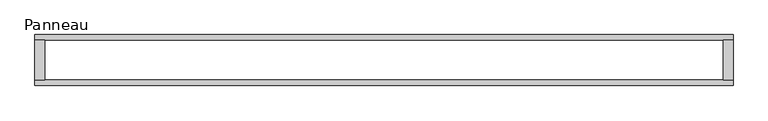
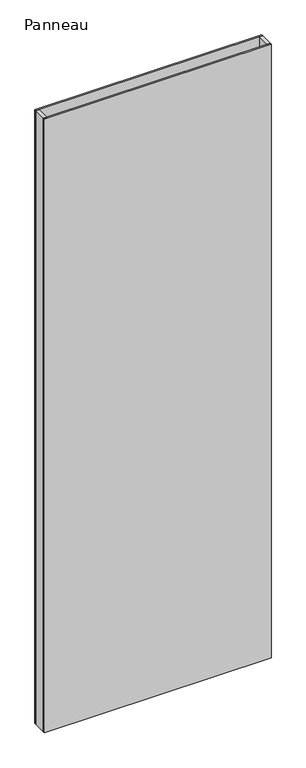
"""IFC4 building model written with IfcOpenShell, lengths in millimetres: plate geometry, Panneau."""

from ifc_helpers import new_model, si_unit, origin, origin_with_axes, place, context, project, spatial, polyline, outline, extrude, source, transform, mapped, element, save


def panneau_89e83c19(model_context):
    return source(origin(), model_context, "Body", "SweptSolid", [
        extrude(outline(polyline([(-495.1082011, 29.2), (-495.1082011, -29.2), (-509.1082011, -29.2), (-509.1082011, 29.2), (-495.1082011, 29.2)])), origin_with_axes(), (0.0, 0.0, 1.0), 2915.0),
        extrude(outline(polyline([(509.1082011, 29.2), (509.1082011, -29.2), (495.1082011, -29.2), (495.1082011, 29.2), (509.1082011, 29.2)])), origin_with_axes(), (0.0, 0.0, 1.0), 2915.0),
        extrude(outline(polyline([(509.1082011, 29.2), (-509.1082011, 29.2), (-509.1082011, 37.2), (509.1082011, 37.2), (509.1082011, 29.2)])), origin_with_axes(), (0.0, 0.0, 1.0), 2915.0),
        extrude(outline(polyline([(-509.1082011, -37.2), (-509.1082011, -29.2), (509.1082011, -29.2), (509.1082011, -37.2), (-509.1082011, -37.2)])), origin_with_axes(), (0.0, 0.0, 1.0), 2915.0),
    ])


if __name__ == "__main__":
    model = new_model("IFC4")
    model_context = context("Model", 3, world=origin())
    ifc_project = project(units=[si_unit("LENGTHUNIT", "METRE", prefix="MILLI")], contexts=[model_context])
    site = spatial("IfcSite", under=ifc_project)
    building = spatial("IfcBuilding", under=site)
    placement = place(None, origin())
    panneau_shape = panneau_89e83c19(model_context)
    element("IfcPlate", 1, ObjectType="Panneau", at=placement, inside=building, context=model_context, shape_type="MappedRepresentation", body=[
        mapped(panneau_shape, transform((0.0, 0.0, 0.0), x_axis=(1.0, 0.0, 0.0), y_axis=(0.0, 1.0, 0.0), z_axis=(0.0, 0.0, 1.0))),
    ])
    save(model, "model.ifc")
